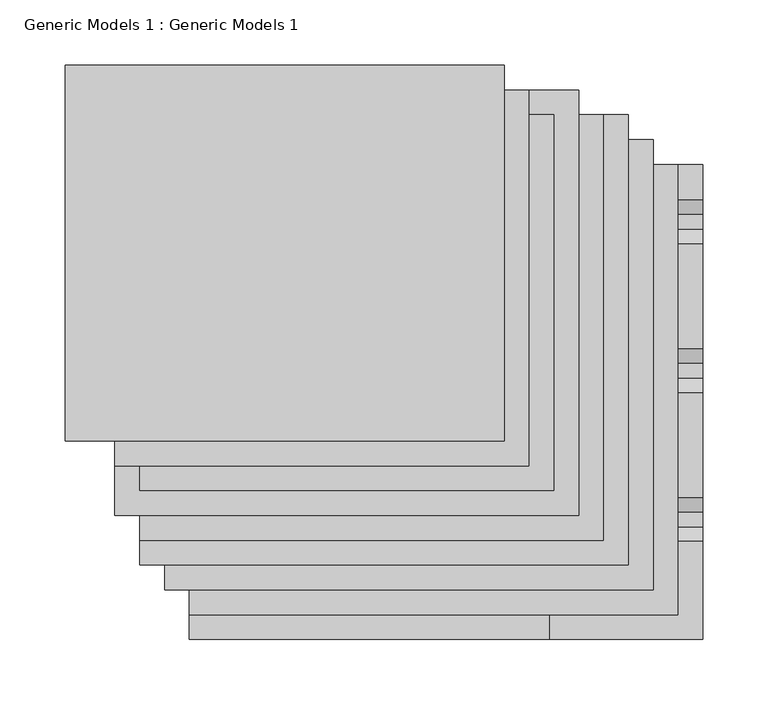
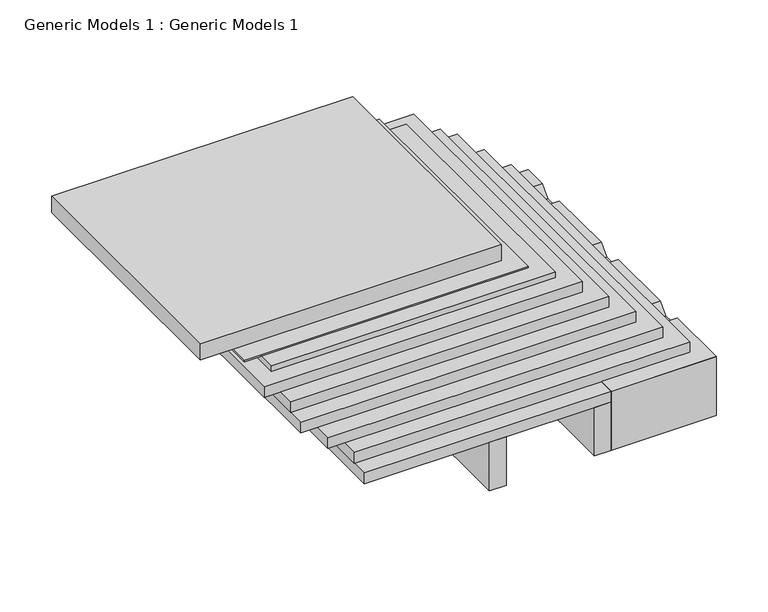
"""IFC4 building model written with IfcOpenShell, lengths in millimetres: proxy geometry, Generic Models 1 : Generic Models 1."""

import ifcopenshell
import ifcopenshell.guid

model = None  # the IFC model being written
_history = None  # IfcOwnerHistory: only IFC2X3 demands one
_inside = {}  # id of a spatial element -> (the spatial element, [elements in it])
_under = {}  # id of a project, library or spatial element -> (it, [spatial elements below it])
_declared = {}  # id of a project -> (the project, [libraries it declares])
_typed = {}  # id of a type object -> (the type object, [elements of that type])
_made_of = {}  # id of a material, layer set ... -> (it, [elements and type objects made of it])


def new_model(schema):
    """Start an empty IFC model of exactly this schema.

    Asked for "IFC4X3", IfcOpenShell would pick the latest addendum, in which some entities
    have other attributes; the version numbers below select the first issue.
    IFC2X3 requires an IfcOwnerHistory on every rooted entity: one is made here for all.
    """
    global model, _history
    if schema == "IFC4X3":
        model = ifcopenshell.file(schema_version=(4, 3, 0, 0))
    else:
        model = ifcopenshell.file(schema=schema)
    _inside.clear()
    _under.clear()
    _declared.clear()
    _typed.clear()
    _made_of.clear()
    _history = None
    if model.schema == "IFC2X3":
        org = make("IfcOrganization", Name="unknown")
        user = make(
            "IfcPersonAndOrganization",
            ThePerson=make("IfcPerson", FamilyName="unknown"),
            TheOrganization=org,
        )
        app = make(
            "IfcApplication",
            ApplicationDeveloper=org,
            Version="unknown",
            ApplicationFullName="unknown",
            ApplicationIdentifier="unknown",
        )
        _history = make(
            "IfcOwnerHistory",
            OwningUser=user,
            OwningApplication=app,
            ChangeAction="ADDED",
            CreationDate=0,
        )
    return model


def make(cls, **values):
    """One entity of the class cls with the attributes given. An attribute that is None is left unset."""
    return model.create_entity(
        cls, **{name: value for name, value in values.items() if value is not None}
    )


def rooted(cls, **values):
    """An entity with a GlobalId (a new one), such as an element, a storey or a relation."""
    return make(cls, GlobalId=ifcopenshell.guid.new(), OwnerHistory=_history, **values)


def si_unit(unit_type, name, prefix=None):
    """IfcSIUnit, for example si_unit("LENGTHUNIT", "METRE", prefix="MILLI")."""
    return make("IfcSIUnit", UnitType=unit_type, Prefix=prefix, Name=name)


def assignment(units):
    """IfcUnitAssignment: the units of a project."""
    return None if units is None else make("IfcUnitAssignment", Units=units)


def point(xyz):
    """IfcCartesianPoint."""
    return None if xyz is None else make("IfcCartesianPoint", Coordinates=xyz)


def direction(xyz):
    """IfcDirection."""
    return None if xyz is None else make("IfcDirection", DirectionRatios=xyz)


def frame(location, z_axis=None, x_axis=None):
    """IfcAxis2Placement3D, a coordinate frame: its origin and axes. An axis left out is left unset."""
    return make(
        "IfcAxis2Placement3D",
        Location=point(location),
        Axis=direction(z_axis),
        RefDirection=direction(x_axis),
    )


def origin():
    """The frame at (0, 0, 0) with its axes left unset."""
    return frame((0.0, 0.0, 0.0))


def place(relative_to, where):
    """IfcLocalPlacement: puts the frame where relative to a parent placement (None: the world)."""
    return make(
        "IfcLocalPlacement", PlacementRelTo=relative_to, RelativePlacement=where
    )


def context(
    kind, dimensions, precision=None, world=None, true_north=None, identifier=None
):
    """IfcGeometricRepresentationContext, for example the 3D "Model" context."""
    return make(
        "IfcGeometricRepresentationContext",
        ContextIdentifier=identifier,
        ContextType=kind,
        CoordinateSpaceDimension=dimensions,
        Precision=precision,
        WorldCoordinateSystem=world,
        TrueNorth=true_north,
    )


def project(units=None, contexts=None):
    """IfcProject with its units and contexts."""
    return rooted(
        "IfcProject",
        Name="project",
        RepresentationContexts=contexts,
        UnitsInContext=assignment(units),
    )


def spatial(cls, under=None, at=None, **own):
    """A site, building, storey or space (cls), placed at a placement, below another one or the project."""
    s = rooted(cls, ObjectPlacement=at, **own)
    if under is not None:
        _under.setdefault(under.id(), (under, []))[1].append(s)
    return s


def polyline(points):
    """IfcPolyline through the points."""
    return make("IfcPolyline", Points=[point(p) for p in points])


def outline(outer, holes=None, kind="AREA"):
    """IfcArbitraryClosedProfileDef: a profile drawn as a closed curve; with holes, ...WithVoids."""
    if holes is None:
        return make("IfcArbitraryClosedProfileDef", ProfileType=kind, OuterCurve=outer)
    return make(
        "IfcArbitraryProfileDefWithVoids",
        ProfileType=kind,
        OuterCurve=outer,
        InnerCurves=holes,
    )


def extrude(swept, where, along, depth):
    """IfcExtrudedAreaSolid: the profile swept, set in the frame where, extruded along a direction by depth."""
    return make(
        "IfcExtrudedAreaSolid",
        SweptArea=swept,
        Position=where,
        ExtrudedDirection=direction(along),
        Depth=depth,
    )


def shape(context_of_items, identifier, shape_type, items):
    """IfcShapeRepresentation: the items that make up one representation, for example the "Body"."""
    return make(
        "IfcShapeRepresentation",
        ContextOfItems=context_of_items,
        RepresentationIdentifier=identifier,
        RepresentationType=shape_type,
        Items=items,
    )


def source(mapping_origin, context_of_items, identifier, shape_type, items):
    """IfcRepresentationMap: a shape defined once, which mapped items show again and again."""
    return make(
        "IfcRepresentationMap",
        MappingOrigin=mapping_origin,
        MappedRepresentation=shape(context_of_items, identifier, shape_type, items),
    )


def transform(
    local_origin,
    x_axis=None,
    y_axis=None,
    z_axis=None,
    scale=None,
    scale2=None,
    scale3=None,
    uniform=True,
):
    """IfcCartesianTransformationOperator3D, or its non-uniform kind. x_axis, y_axis, z_axis: its Axis1, 2, 3."""
    if uniform:
        return make(
            "IfcCartesianTransformationOperator3D",
            Axis1=direction(x_axis),
            Axis2=direction(y_axis),
            LocalOrigin=point(local_origin),
            Scale=scale,
            Axis3=direction(z_axis),
        )
    return make(
        "IfcCartesianTransformationOperator3DnonUniform",
        Axis1=direction(x_axis),
        Axis2=direction(y_axis),
        LocalOrigin=point(local_origin),
        Scale=scale,
        Axis3=direction(z_axis),
        Scale2=scale2,
        Scale3=scale3,
    )


def mapped(mapping_source, mapping_target):
    """IfcMappedItem: shows the shape of a source again, moved by a transform."""
    return make(
        "IfcMappedItem", MappingSource=mapping_source, MappingTarget=mapping_target
    )


def made_of(thing, what):
    """Note that an element or type object is made of a material, layer set ...; save() writes the relation."""
    if what is not None:
        _made_of.setdefault(what.id(), (what, []))[1].append(thing)
    return thing


def element(
    cls,
    number,
    at=None,
    inside=None,
    cuts=None,
    type_object=None,
    material=None,
    context=None,
    identifier="Body",
    shape_type=None,
    held_by="IfcProductDefinitionShape",
    body=None,
    shapes=None,
    **own,
):
    """One element of the class cls, such as IfcWall. Its Tag is "e" and its number.

    at: its placement. inside: the storey or other place that contains it. cuts: it is an
    opening in that element (IfcRelVoidsElement). A single representation is given by context,
    identifier, shape_type and body (its items); several are given by shapes. held_by: the class
    of the entity that holds the representations. save() writes the other relations.
    """
    e = rooted(cls, Tag="e%d" % number, ObjectPlacement=at, **own)
    if body is not None:
        shapes = [shape(context, identifier, shape_type, body)]
    if shapes is not None:
        e.Representation = make(held_by, Representations=shapes)
    if inside is not None:
        _inside.setdefault(inside.id(), (inside, []))[1].append(e)
    if cuts is not None:
        rooted(
            "IfcRelVoidsElement", RelatingBuildingElement=cuts, RelatedOpeningElement=e
        )
    if type_object is not None:
        _typed.setdefault(type_object.id(), (type_object, []))[1].append(e)
    return made_of(e, material)


def aggregate(whole, parts):
    """IfcRelAggregates: a whole, such as a stair, and the parts it consists of."""
    return rooted("IfcRelAggregates", RelatingObject=whole, RelatedObjects=parts)


def save(model, path):
    """Write the relations noted so far, then the file.

    IfcRelAggregates (storeys below a building ...), IfcRelContainedInSpatialStructure (elements
    in a storey), IfcRelDefinesByType, IfcRelAssociatesMaterial and IfcRelDeclares: one each for
    every whole, place, type object, material and project.
    """
    for whole, parts in _under.values():
        aggregate(whole, parts)
    for where, things in _inside.values():
        rooted(
            "IfcRelContainedInSpatialStructure",
            RelatedElements=things,
            RelatingStructure=where,
        )
    for kind, things in _typed.values():
        rooted("IfcRelDefinesByType", RelatedObjects=things, RelatingType=kind)
    for what, things in _made_of.values():
        rooted("IfcRelAssociatesMaterial", RelatedObjects=things, RelatingMaterial=what)
    for by, libraries in _declared.values():
        rooted("IfcRelDeclares", RelatingContext=by, RelatedDefinitions=libraries)
    model.write(path)


def generic_models_1_generic_models_1_813bb146(model_context):
    return source(origin(), model_context, "Body", "SweptSolid", [
        extrude(outline(polyline([(-139.7, 402.6288588), (177.8, 402.6288588), (177.8, 114.3), (-139.7, 114.3), (-139.7, 402.6288588)])), frame((0.0, 0.0, 165.89375), z_axis=(0.0, 0.0, 1.0), x_axis=(1.0, 0.0, 0.0)), (0.0, 0.0, 1.0), 6.35),
        extrude(outline(polyline([(-196.85, 440.7288588), (139.7, 440.7288588), (139.7, 152.4), (-196.85, 152.4), (-196.85, 440.7288588)])), frame((0.0, 0.0, 176.2125), z_axis=(0.0, 0.0, 1.0), x_axis=(1.0, 0.0, 0.0)), (0.0, 0.0, 1.0), 19.05),
        extrude(outline(polyline([(-139.7, 402.6288588), (215.9, 402.6288588), (215.9, 76.2), (-139.7, 76.2), (-139.7, 402.6288588)])), frame((0.0, 0.0, 140.49375), z_axis=(0.0, 0.0, 1.0), x_axis=(1.0, 0.0, 0.0)), (0.0, 0.0, 1.0), 12.7),
        extrude(outline(polyline([(-139.7, 402.6288588), (234.95, 402.6288588), (234.95, 57.15), (-139.7, 57.15), (-139.7, 402.6288588)])), frame((0.0, 0.0, 127.79375), z_axis=(0.0, 0.0, 1.0), x_axis=(1.0, 0.0, 0.0)), (0.0, 0.0, 1.0), 12.7),
        extrude(outline(polyline([(-120.65, 383.5788588), (254.0, 383.5788588), (254.0, 38.1), (-120.65, 38.1), (-120.65, 383.5788588)])), frame((0.0, 0.0, 114.3), z_axis=(0.0, 0.0, 1.0), x_axis=(1.0, 0.0, 0.0)), (0.0, 0.0, 1.0), 12.7),
        extrude(outline(polyline([(228.670593, 44.45), (196.920593, 76.2), (201.410721, 76.2), (231.845593, 45.7651281), (262.2804649, 76.2), (266.770593, 76.2), (235.020593, 44.45), (228.670593, 44.45)])), frame((287.3375, 0.0, 0.0), z_axis=(1.0, 0.0, 0.0), x_axis=(0.0, 1.0, 0.0)), (0.0, 0.0, 1.0), 3.175),
        extrude(outline(polyline([(110.7911863, 44.45), (79.0411863, 76.2), (83.5313144, 76.2), (113.9661863, 45.7651281), (144.4010583, 76.2), (148.8911863, 76.2), (117.1411863, 44.45), (110.7911863, 44.45)])), frame((287.3375, 0.0, 0.0), z_axis=(1.0, 0.0, 0.0), x_axis=(0.0, 1.0, 0.0)), (0.0, 0.0, 1.0), 3.175),
        extrude(outline(polyline([(364.5288588, 88.9), (364.5288588, 76.2), (25.4, 76.2), (12.7, 88.9), (364.5288588, 88.9)])), frame((285.75, 0.0, 0.0), z_axis=(1.0, 0.0, 0.0), x_axis=(0.0, 1.0, 0.0)), (0.0, 0.0, 1.0), 6.35),
        extrude(outline(polyline([(364.5288588, 31.75), (69.85, 31.75), (57.15, 44.45), (364.5288588, 44.45), (364.5288588, 31.75)])), frame((285.75, 0.0, 0.0), z_axis=(1.0, 0.0, 0.0), x_axis=(0.0, 1.0, 0.0)), (0.0, 0.0, 1.0), 6.35),
        extrude(outline(polyline([(75.3364053, 101.6), (86.4489053, 90.4875), (97.8337772, 90.4875), (108.9462772, 101.6), (189.6364053, 101.6), (200.7489053, 90.4875), (212.1337772, 90.4875), (223.2462772, 101.6), (303.9364053, 101.6), (315.0489053, 90.4875), (326.4337772, 90.4875), (337.5462772, 101.6), (364.5288588, 101.6), (364.5288588, 100.0125), (338.2038412, 100.0125), (327.0913412, 88.9), (314.3913412, 88.9), (303.2788412, 100.0125), (223.9038412, 100.0125), (212.7913412, 88.9), (200.0913412, 88.9), (188.9788412, 100.0125), (109.6038412, 100.0125), (98.4913412, 88.9), (85.7913412, 88.9), (74.6788412, 100.0125), (1.5875, 100.0125), (0.0, 101.6), (75.3364053, 101.6)])), frame((174.625, 0.0, 0.0), z_axis=(1.0, 0.0, 0.0), x_axis=(0.0, 1.0, 0.0)), (0.0, 0.0, 1.0), 117.475),
        extrude(outline(polyline([(0.0, 31.75), (0.0, 101.6), (69.85, 31.75), (0.0, 31.75)])), frame((174.625, 0.0, 0.0), z_axis=(1.0, 0.0, 0.0), x_axis=(0.0, 1.0, 0.0)), (0.0, 0.0, 1.0), 117.475),
        extrude(outline(polyline([(-158.75, 421.6788588), (158.75, 421.6788588), (158.75, 133.35), (-158.75, 133.35), (-158.75, 421.6788588)])), frame((0.0, 0.0, 172.24375), z_axis=(0.0, 0.0, 1.0), x_axis=(1.0, 0.0, 0.0)), (0.0, 0.0, 1.0), 1.5875),
        extrude(outline(polyline([(-158.75, 421.6788588), (196.85, 421.6788588), (196.85, 95.25), (-158.75, 95.25), (-158.75, 421.6788588)])), frame((0.0, 0.0, 153.19375), z_axis=(0.0, 0.0, 1.0), x_axis=(1.0, 0.0, 0.0)), (0.0, 0.0, 1.0), 12.7),
        extrude(outline(polyline([(-101.6, 364.5288588), (273.05, 364.5288588), (273.05, 19.05), (-101.6, 19.05), (-101.6, 364.5288588)])), frame((0.0, 0.0, 101.6), z_axis=(0.0, 0.0, 1.0), x_axis=(1.0, 0.0, 0.0)), (0.0, 0.0, 1.0), 12.7),
        extrude(outline(polyline([(57.15, 0.0), (38.1, 0.0), (38.1, 261.3017557), (57.15, 261.3017557), (57.15, 0.0)])), frame((0.0, 0.0, 31.75), z_axis=(0.0, 0.0, 1.0), x_axis=(1.0, 0.0, 0.0)), (0.0, 0.0, 1.0), 57.15),
        extrude(outline(polyline([(174.625, 0.0), (155.575, 0.0), (155.575, 261.3017557), (174.625, 261.3017557), (174.625, 0.0)])), frame((0.0, 0.0, 31.75), z_axis=(0.0, 0.0, 1.0), x_axis=(1.0, 0.0, 0.0)), (0.0, 0.0, 1.0), 57.15),
        extrude(outline(polyline([(-101.6, 364.5288588), (174.625, 364.5288588), (174.625, 0.0), (-101.6, 0.0), (-101.6, 364.5288588)])), frame((0.0, 0.0, 88.9), z_axis=(0.0, 0.0, 1.0), x_axis=(1.0, 0.0, 0.0)), (0.0, 0.0, 1.0), 12.7),
    ])


if __name__ == "__main__":
    model = new_model("IFC4")
    model_context = context("Model", 3, world=origin())
    ifc_project = project(units=[si_unit("LENGTHUNIT", "METRE", prefix="MILLI")], contexts=[model_context])
    site = spatial("IfcSite", under=ifc_project)
    building = spatial("IfcBuilding", under=site)
    placement = place(None, origin())
    generic_models_1_generic_models_1_shape = generic_models_1_generic_models_1_813bb146(model_context)
    element("IfcBuildingElementProxy", 1, Name="Generic Models 1 : Generic Models 1", ObjectType="Generic Models 1 : Generic Models 1", at=placement, inside=building, context=model_context, shape_type="MappedRepresentation", body=[
        mapped(generic_models_1_generic_models_1_shape, transform((0.0, 0.0, 0.0), x_axis=(1.0, 0.0, 0.0), y_axis=(0.0, 1.0, 0.0), z_axis=(0.0, 0.0, 1.0))),
    ])
    save(model, "model.ifc")
